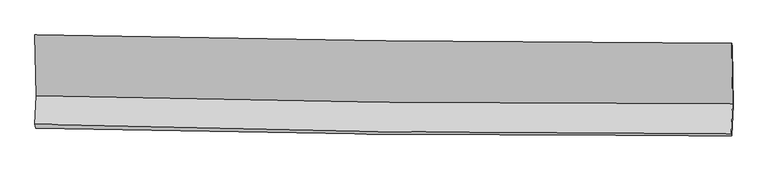
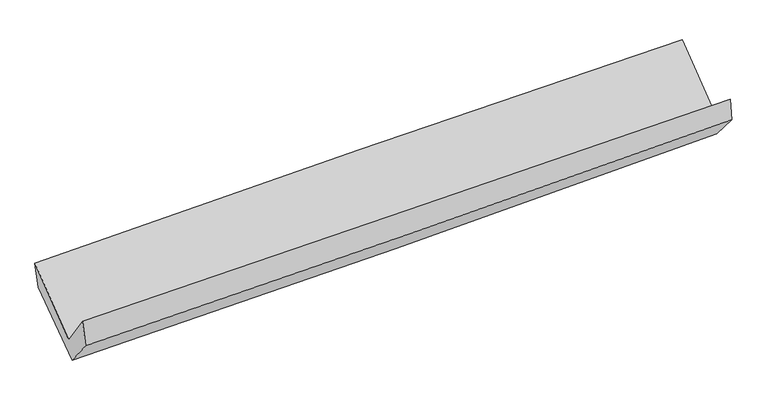
"""IFC4 building model written with IfcOpenShell, lengths in millimetres: proxy geometry."""

import ifcopenshell
import ifcopenshell.guid

model = None  # the IFC model being written
_history = None  # IfcOwnerHistory: only IFC2X3 demands one
_inside = {}  # id of a spatial element -> (the spatial element, [elements in it])
_under = {}  # id of a project, library or spatial element -> (it, [spatial elements below it])
_declared = {}  # id of a project -> (the project, [libraries it declares])
_typed = {}  # id of a type object -> (the type object, [elements of that type])
_made_of = {}  # id of a material, layer set ... -> (it, [elements and type objects made of it])


def new_model(schema):
    """Start an empty IFC model of exactly this schema.

    Asked for "IFC4X3", IfcOpenShell would pick the latest addendum, in which some entities
    have other attributes; the version numbers below select the first issue.
    IFC2X3 requires an IfcOwnerHistory on every rooted entity: one is made here for all.
    """
    global model, _history
    if schema == "IFC4X3":
        model = ifcopenshell.file(schema_version=(4, 3, 0, 0))
    else:
        model = ifcopenshell.file(schema=schema)
    _inside.clear()
    _under.clear()
    _declared.clear()
    _typed.clear()
    _made_of.clear()
    _history = None
    if model.schema == "IFC2X3":
        org = make("IfcOrganization", Name="unknown")
        user = make(
            "IfcPersonAndOrganization",
            ThePerson=make("IfcPerson", FamilyName="unknown"),
            TheOrganization=org,
        )
        app = make(
            "IfcApplication",
            ApplicationDeveloper=org,
            Version="unknown",
            ApplicationFullName="unknown",
            ApplicationIdentifier="unknown",
        )
        _history = make(
            "IfcOwnerHistory",
            OwningUser=user,
            OwningApplication=app,
            ChangeAction="ADDED",
            CreationDate=0,
        )
    return model


def make(cls, **values):
    """One entity of the class cls with the attributes given. An attribute that is None is left unset."""
    return model.create_entity(
        cls, **{name: value for name, value in values.items() if value is not None}
    )


def rooted(cls, **values):
    """An entity with a GlobalId (a new one), such as an element, a storey or a relation."""
    return make(cls, GlobalId=ifcopenshell.guid.new(), OwnerHistory=_history, **values)


def si_unit(unit_type, name, prefix=None):
    """IfcSIUnit, for example si_unit("LENGTHUNIT", "METRE", prefix="MILLI")."""
    return make("IfcSIUnit", UnitType=unit_type, Prefix=prefix, Name=name)


def assignment(units):
    """IfcUnitAssignment: the units of a project."""
    return None if units is None else make("IfcUnitAssignment", Units=units)


def point(xyz):
    """IfcCartesianPoint."""
    return None if xyz is None else make("IfcCartesianPoint", Coordinates=xyz)


def direction(xyz):
    """IfcDirection."""
    return None if xyz is None else make("IfcDirection", DirectionRatios=xyz)


def frame(location, z_axis=None, x_axis=None):
    """IfcAxis2Placement3D, a coordinate frame: its origin and axes. An axis left out is left unset."""
    return make(
        "IfcAxis2Placement3D",
        Location=point(location),
        Axis=direction(z_axis),
        RefDirection=direction(x_axis),
    )


def origin():
    """The frame at (0, 0, 0) with its axes left unset."""
    return frame((0.0, 0.0, 0.0))


def place(relative_to, where):
    """IfcLocalPlacement: puts the frame where relative to a parent placement (None: the world)."""
    return make(
        "IfcLocalPlacement", PlacementRelTo=relative_to, RelativePlacement=where
    )


def context(
    kind, dimensions, precision=None, world=None, true_north=None, identifier=None
):
    """IfcGeometricRepresentationContext, for example the 3D "Model" context."""
    return make(
        "IfcGeometricRepresentationContext",
        ContextIdentifier=identifier,
        ContextType=kind,
        CoordinateSpaceDimension=dimensions,
        Precision=precision,
        WorldCoordinateSystem=world,
        TrueNorth=true_north,
    )


def project(units=None, contexts=None):
    """IfcProject with its units and contexts."""
    return rooted(
        "IfcProject",
        Name="project",
        RepresentationContexts=contexts,
        UnitsInContext=assignment(units),
    )


def spatial(cls, under=None, at=None, **own):
    """A site, building, storey or space (cls), placed at a placement, below another one or the project."""
    s = rooted(cls, ObjectPlacement=at, **own)
    if under is not None:
        _under.setdefault(under.id(), (under, []))[1].append(s)
    return s


def shape(context_of_items, identifier, shape_type, items):
    """IfcShapeRepresentation: the items that make up one representation, for example the "Body"."""
    return make(
        "IfcShapeRepresentation",
        ContextOfItems=context_of_items,
        RepresentationIdentifier=identifier,
        RepresentationType=shape_type,
        Items=items,
    )


def source(mapping_origin, context_of_items, identifier, shape_type, items):
    """IfcRepresentationMap: a shape defined once, which mapped items show again and again."""
    return make(
        "IfcRepresentationMap",
        MappingOrigin=mapping_origin,
        MappedRepresentation=shape(context_of_items, identifier, shape_type, items),
    )


def transform(
    local_origin,
    x_axis=None,
    y_axis=None,
    z_axis=None,
    scale=None,
    scale2=None,
    scale3=None,
    uniform=True,
):
    """IfcCartesianTransformationOperator3D, or its non-uniform kind. x_axis, y_axis, z_axis: its Axis1, 2, 3."""
    if uniform:
        return make(
            "IfcCartesianTransformationOperator3D",
            Axis1=direction(x_axis),
            Axis2=direction(y_axis),
            LocalOrigin=point(local_origin),
            Scale=scale,
            Axis3=direction(z_axis),
        )
    return make(
        "IfcCartesianTransformationOperator3DnonUniform",
        Axis1=direction(x_axis),
        Axis2=direction(y_axis),
        LocalOrigin=point(local_origin),
        Scale=scale,
        Axis3=direction(z_axis),
        Scale2=scale2,
        Scale3=scale3,
    )


def mapped(mapping_source, mapping_target):
    """IfcMappedItem: shows the shape of a source again, moved by a transform."""
    return make(
        "IfcMappedItem", MappingSource=mapping_source, MappingTarget=mapping_target
    )


def made_of(thing, what):
    """Note that an element or type object is made of a material, layer set ...; save() writes the relation."""
    if what is not None:
        _made_of.setdefault(what.id(), (what, []))[1].append(thing)
    return thing


def element(
    cls,
    number,
    at=None,
    inside=None,
    cuts=None,
    type_object=None,
    material=None,
    context=None,
    identifier="Body",
    shape_type=None,
    held_by="IfcProductDefinitionShape",
    body=None,
    shapes=None,
    **own,
):
    """One element of the class cls, such as IfcWall. Its Tag is "e" and its number.

    at: its placement. inside: the storey or other place that contains it. cuts: it is an
    opening in that element (IfcRelVoidsElement). A single representation is given by context,
    identifier, shape_type and body (its items); several are given by shapes. held_by: the class
    of the entity that holds the representations. save() writes the other relations.
    """
    e = rooted(cls, Tag="e%d" % number, ObjectPlacement=at, **own)
    if body is not None:
        shapes = [shape(context, identifier, shape_type, body)]
    if shapes is not None:
        e.Representation = make(held_by, Representations=shapes)
    if inside is not None:
        _inside.setdefault(inside.id(), (inside, []))[1].append(e)
    if cuts is not None:
        rooted(
            "IfcRelVoidsElement", RelatingBuildingElement=cuts, RelatedOpeningElement=e
        )
    if type_object is not None:
        _typed.setdefault(type_object.id(), (type_object, []))[1].append(e)
    return made_of(e, material)


def aggregate(whole, parts):
    """IfcRelAggregates: a whole, such as a stair, and the parts it consists of."""
    return rooted("IfcRelAggregates", RelatingObject=whole, RelatedObjects=parts)


def save(model, path):
    """Write the relations noted so far, then the file.

    IfcRelAggregates (storeys below a building ...), IfcRelContainedInSpatialStructure (elements
    in a storey), IfcRelDefinesByType, IfcRelAssociatesMaterial and IfcRelDeclares: one each for
    every whole, place, type object, material and project.
    """
    for whole, parts in _under.values():
        aggregate(whole, parts)
    for where, things in _inside.values():
        rooted(
            "IfcRelContainedInSpatialStructure",
            RelatedElements=things,
            RelatingStructure=where,
        )
    for kind, things in _typed.values():
        rooted("IfcRelDefinesByType", RelatedObjects=things, RelatingType=kind)
    for what, things in _made_of.values():
        rooted("IfcRelAssociatesMaterial", RelatedObjects=things, RelatingMaterial=what)
    for by, libraries in _declared.values():
        rooted("IfcRelDeclares", RelatingContext=by, RelatedDefinitions=libraries)
    model.write(path)


def plane_surface(at):
    """IfcPlane: the flat surface through the origin of the frame at, square to its z axis."""
    return make("IfcPlane", Position=at)


def spline_curve(degree, points, multiplicities, knots, weights=None):
    """IfcBSplineCurveWithKnots; with weights, IfcRationalBSplineCurveWithKnots."""
    own = dict(
        Degree=degree,
        ControlPointsList=[point(p) for p in points],
        CurveForm="UNSPECIFIED",
        ClosedCurve=False,
        SelfIntersect=False,
        KnotMultiplicities=multiplicities,
        Knots=knots,
        KnotSpec="UNSPECIFIED",
    )
    if weights is None:
        return make("IfcBSplineCurveWithKnots", **own)
    return make("IfcRationalBSplineCurveWithKnots", WeightsData=weights, **own)


def spline_surface(u_degree, v_degree, points, u_multiplicities, v_multiplicities, u_knots, v_knots, weights=None):
    """IfcBSplineSurfaceWithKnots; with weights, IfcRationalBSplineSurfaceWithKnots. points: one row for each step in u."""
    own = dict(
        UDegree=u_degree,
        VDegree=v_degree,
        ControlPointsList=[[point(p) for p in row] for row in points],
        SurfaceForm="UNSPECIFIED",
        UClosed=False,
        VClosed=False,
        SelfIntersect=False,
        UMultiplicities=u_multiplicities,
        VMultiplicities=v_multiplicities,
        UKnots=u_knots,
        VKnots=v_knots,
        KnotSpec="UNSPECIFIED",
    )
    if weights is None:
        return make("IfcBSplineSurfaceWithKnots", **own)
    return make("IfcRationalBSplineSurfaceWithKnots", WeightsData=weights, **own)


def advanced_brep(points, edges, surfaces, faces):
    """IfcAdvancedBrep: a solid bounded by faces that lie on surfaces and meet in shared edges.

    An edge is (start, end): straight between two places in points (the first is 0);
    or (start, end, curve); or (start, end, curve, False) where it runs against its curve.
    A face is (place in surfaces, loops), or (place, loops, False) where it looks against
    its surface's normal. A loop lists edges by number (the first is 1), with a minus sign
    where the edge is run from its end to its start. The first loop is the outer one.
    """
    corners = [point(p) for p in points]
    vertices = [make("IfcVertexPoint", VertexGeometry=c) for c in corners]
    made = []
    for start, end, *more in edges:
        made.append(
            make(
                "IfcEdgeCurve",
                EdgeStart=vertices[start],
                EdgeEnd=vertices[end],
                EdgeGeometry=more[0] if more else make("IfcPolyline", Points=[corners[start], corners[end]]),
                SameSense=more[1] if len(more) > 1 else True,
            )
        )
    hull = []
    for where, loops, *sense in faces:
        bounds = []
        for j, loop in enumerate(loops):
            ring = [make("IfcOrientedEdge", EdgeElement=made[abs(k) - 1], Orientation=k > 0) for k in loop]
            bounds.append(
                make(
                    "IfcFaceOuterBound" if j == 0 else "IfcFaceBound",
                    Bound=make("IfcEdgeLoop", EdgeList=ring),
                    Orientation=True,
                )
            )
        hull.append(make("IfcAdvancedFace", Bounds=bounds, FaceSurface=surfaces[where], SameSense=sense[0] if sense else True))
    return make("IfcAdvancedBrep", Outer=make("IfcClosedShell", CfsFaces=hull))


def generic_models_5594bed8(model_context):
    return source(origin(), model_context, "Body", "AdvancedBrep", [
        advanced_brep(
        [(-2965.1312633, -1168.7967748, 2162.8922659), (-2954.0730202, -1684.4617691, 1731.2610248), (2948.481317, -1753.5766912, 1886.6730041), (2942.8285944, -1238.0039741, 2309.322967), (-2965.6706612, -1927.3758774, 2058.8658888), (2937.3169524, -2005.9116889, 2197.9992852), (-2958.9211537, -1962.0063245, 1840.1200431), (2942.1996834, -2025.16074, 2008.4493465), (-2948.8994719, -1734.7977376, 1559.7936673), (2953.1106205, -1766.1752772, 1709.2893157), (-2958.6791512, -1210.1112031, 1952.474492), (2947.7795737, -1267.7268198, 2112.9197871)],
        [
            (0, 1),
            (1, 2, spline_curve(3, [(-2954.0730202, -1684.4617691, 1731.2610248), (-1971.513699355, -1709.361235588, 1775.314216814), (-988.625433116, -1727.571059272, 1810.289682238), (978.891954099, -1750.62411163, 1862.11368362), (1963.52180035, -1755.452595037, 1878.942211503), (2948.481317, -1753.5766912, 1886.6730041)], [4, 2, 4], [0.0, 9.68617136827359, 19.383011567885667])),
            (2, 3),
            (3, 0, spline_curve(3, [(2942.8285944, -1238.0039741, 2309.322967), (1957.125909008, -1236.367669811, 2302.926912134), (971.673726773, -1229.776350623, 2287.514649589), (-997.645675122, -1206.696386892, 2238.68458694), (-1981.513445397, -1190.218639398, 2205.286615506), (-2965.1312633, -1168.7967748, 2162.8922659)], [4, 2, 4], [0.0, 9.696840199612078, 19.383011567885667])),
            (1, 4),
            (4, 5, spline_curve(3, [(-2965.6706612, -1927.3758774, 2058.8658888), (-1982.793140419, -1954.92714909, 2092.242607377), (-999.709620204, -1975.247815726, 2120.521841848), (967.952463631, -2001.44235672, 2166.910876086), (1952.53148129, -2007.300293866, 2185.009440284), (2937.3169524, -2005.9116889, 2197.9992852)], [4, 2, 4], [0.0, 9.681954687296038, 19.374573561468225])),
            (5, 2),
            (4, 6),
            (6, 7, spline_curve(3, [(-2958.9211537, -1962.0063245, 1840.1200431), (-1976.134232551, -1984.005617789, 1869.421889456), (-993.251430489, -2000.268394583, 1898.092881159), (973.788636944, -2021.332510365, 1954.204039443), (1957.946113982, -2026.12120532, 1981.642815645), (2942.1996834, -2025.16074, 2008.4493465)], [4, 2, 4], [0.0, 9.680747849892175, 19.372158557389703])),
            (7, 5),
            (6, 8),
            (8, 9, spline_curve(3, [(-2948.8994719, -1734.7977376, 1559.7936673), (-1965.811597688, -1750.24979056, 1580.547146833), (-982.704213142, -1760.591986931, 1603.373858102), (984.632441246, -1771.062429228, 1653.201171336), (1968.861754385, -1771.179412977, 1680.206342635), (2953.1106205, -1766.1752772, 1709.2893157)], [4, 2, 4], [0.0, 9.679711335512215, 19.370084386961246])),
            (9, 7),
            (8, 10),
            (10, 11, spline_curve(3, [(-2958.6791512, -1210.1112031, 1952.474492), (-1975.005451689, -1231.343978327, 1984.488717514), (-991.234681865, -1246.762226529, 2013.860367766), (977.584679083, -1265.980248288, 2067.347957167), (1962.633484178, -1269.767205384, 2091.458072256), (2947.7795737, -1267.7268198, 2112.9197871)], [4, 2, 4], [0.0, 9.683878236057655, 19.37842277768382])),
            (11, 9),
            (10, 0),
            (3, 11),
        ],
        [
            spline_surface(3, 3, [[(-2965.1312633, -1168.7967748, 2162.8922659), (-1981.513445299, -1190.218639443, 2205.286615634), (-997.645675002, -1206.696386851, 2238.684586904), (971.673726653, -1229.776350663, 2287.514649625), (1957.125908899, -1236.367669716, 2302.926912079), (2942.8285944, -1238.0039741, 2309.322967)], [(-2961.445182255, -1340.685106233, 2019.01518555), (-1978.180196646, -1363.266171446, 2061.962482762), (-994.638927746, -1380.32127773, 2095.886285334), (974.079802484, -1403.392270969, 2145.714327618), (1959.257872738, -1409.395978128, 2161.598678566), (2944.712835279, -1409.861546482, 2168.439646039)], [(-2957.759101245, -1512.573437667, 1875.13810515), (-1974.846948029, -1536.313703448, 1918.638349841), (-991.632180454, -1553.946168525, 1953.087983794), (976.48587835, -1577.008191192, 2003.914005641), (1961.389836541, -1582.424286496, 2020.270445038), (2946.597076121, -1581.719118818, 2027.556325061)], [(-2954.0730202, -1684.4617691, 1731.2610248), (-1971.513699376, -1709.361235451, 1775.314216968), (-988.625433198, -1727.571059404, 1810.289682224), (978.891954181, -1750.624111498, 1862.113683634), (1963.52180038, -1755.452594909, 1878.942211525), (2948.481317, -1753.5766912, 1886.6730041)]], [4, 4], [4, 2, 4], [0.0, 2.209646853543674], [0.0, 9.68617136827359, 19.383011567885667]),
            spline_surface(3, 3, [[(-2954.0730202, -1684.4617691, 1731.2610248), (-1971.513699376, -1709.361235451, 1775.314216968), (-988.625433198, -1727.571059404, 1810.289682224), (978.891954181, -1750.624111498, 1862.113683634), (1963.52180038, -1755.452594909, 1878.942211525), (2948.481317, -1753.5766912, 1886.6730041)], [(-2957.938900525, -1765.433138538, 1840.462646105), (-1975.273513085, -1791.216540025, 1880.957013748), (-992.320162202, -1810.129978185, 1913.700402104), (975.245457316, -1834.230193217, 1963.71274779), (1959.85836062, -1839.401827911, 1980.964621158), (2944.759862106, -1837.688357108, 1990.448431137)], [(-2961.804780875, -1846.404507962, 1949.664267495), (-1979.03332682, -1873.071844586, 1986.599810612), (-996.014891181, -1892.688896988, 2017.111121968), (971.598960476, -1917.836274957, 2065.31181193), (1956.194920942, -1923.351060888, 2082.987030781), (2941.038407294, -1921.800022992, 2094.223858163)], [(-2965.6706612, -1927.3758774, 2058.8658888), (-1982.793140529, -1954.92714916, 2092.242607392), (-999.709620185, -1975.247815769, 2120.521841848), (967.952463612, -2001.442356676, 2166.910876086), (1952.531481182, -2007.30029389, 2185.009440414), (2937.3169524, -2005.9116889, 2197.9992852)]], [4, 4], [4, 2, 4], [0.0, 1.299187227796141], [0.0, 9.681954687296038, 19.374573561468225]),
            spline_surface(3, 3, [[(-2965.6706612, -1927.3758774, 2058.8658888), (-1982.793140529, -1954.92714916, 2092.242607392), (-999.709620185, -1975.247815769, 2120.521841848), (967.952463612, -2001.442356676, 2166.910876086), (1952.531481182, -2007.30029389, 2185.009440414), (2937.3169524, -2005.9116889, 2197.9992852)], [(-2963.420825369, -1938.919359764, 1985.950606928), (-1980.573504573, -1964.619971987, 2017.969034809), (-997.55689031, -1983.588008722, 2046.378854973), (969.897854787, -2008.07240791, 2096.008597224), (1954.336358836, -2013.573930991, 2117.220565508), (2938.944529421, -2012.328039246, 2134.815972322)], [(-2961.170989531, -1950.462842136, 1913.035324972), (-1978.353868611, -1974.312794821, 1943.695462142), (-995.404160497, -1991.928201646, 1972.235868037), (971.843245902, -2014.702459114, 2025.106318302), (1956.141236426, -2019.847568155, 2049.431690537), (2940.572106379, -2018.744389654, 2071.632659378)], [(-2958.9211537, -1962.0063245, 1840.1200431), (-1976.134232655, -1984.005617648, 1869.421889559), (-993.251430622, -2000.268394599, 1898.092881162), (973.788637078, -2021.332510348, 1954.20403944), (1957.94611408, -2026.121205257, 1981.642815631), (2942.1996834, -2025.16074, 2008.4493465)]], [4, 4], [4, 2, 4], [0.0, 0.717862168191754], [0.0, 9.680747849892175, 19.372158557389703]),
            spline_surface(3, 3, [[(-2958.9211537, -1962.0063245, 1840.1200431), (-1976.134232655, -1984.005617648, 1869.421889559), (-993.251430622, -2000.268394599, 1898.092881162), (973.788637078, -2021.332510348, 1954.20403944), (1957.94611408, -2026.121205257, 1981.642815631), (2942.1996834, -2025.16074, 2008.4493465)], [(-2955.580593116, -1886.270128856, 1746.677917816), (-1972.693354345, -1906.087008578, 1773.130308586), (-989.735691489, -1920.376258634, 1799.853206817), (977.403238471, -1937.909149989, 1853.869750058), (1961.584660798, -1941.140607809, 1881.163991289), (2945.836662433, -1938.832252404, 1908.729336218)], [(-2952.240032484, -1810.533933244, 1653.235792584), (-1969.252475989, -1828.168399541, 1676.838727665), (-986.219952321, -1840.484122761, 1701.613532481), (981.017839898, -1854.485789723, 1753.535460685), (1965.223207519, -1856.16001035, 1780.685166993), (2949.473641467, -1852.503764796, 1809.009325982)], [(-2948.8994719, -1734.7977376, 1559.7936673), (-1965.811597679, -1750.249790471, 1580.547146693), (-982.704213187, -1760.591986796, 1603.373858135), (984.632441291, -1771.062429364, 1653.201171302), (1968.861754237, -1771.179412903, 1680.206342651), (2953.1106205, -1766.1752772, 1709.2893157)]], [4, 4], [4, 2, 4], [0.0, 1.2657935546708547], [0.0, 9.679711335512215, 19.370084386961246]),
            spline_surface(3, 3, [[(-2948.8994719, -1734.7977376, 1559.7936673), (-1965.811597679, -1750.249790471, 1580.547146693), (-982.704213187, -1760.591986796, 1603.373858135), (984.632441291, -1771.062429364, 1653.201171302), (1968.861754237, -1771.179412903, 1680.206342651), (2953.1106205, -1766.1752772, 1709.2893157)], [(-2952.159364982, -1559.902226112, 1690.687275548), (-1968.876215661, -1577.281186415, 1715.194337026), (-985.547702753, -1589.315400124, 1740.202694653), (982.283187232, -1602.701702317, 1791.25009995), (1966.785664252, -1604.042010372, 1817.290252522), (2951.333604889, -1600.025791414, 1843.832806168)], [(-2955.419258118, -1385.006714588, 1821.580883752), (-1971.940833698, -1404.312582323, 1849.841527315), (-988.391192325, -1418.038813359, 1877.03153117), (979.933933167, -1434.340975177, 1929.299028598), (1964.7095743, -1436.904607801, 1954.374162388), (2949.556589311, -1433.876305586, 1978.376296632)], [(-2958.6791512, -1210.1112031, 1952.474492), (-1975.00545168, -1231.343978268, 1984.488717649), (-991.23468189, -1246.762226687, 2013.860367687), (977.584679108, -1265.98024813, 2067.347957246), (1962.633484315, -1269.76720527, 2091.458072259), (2947.7795737, -1267.7268198, 2112.9197871)]], [4, 4], [4, 2, 4], [0.0, 2.150409269464707], [0.0, 9.683878236057655, 19.37842277768382]),
            spline_surface(3, 3, [[(-2958.6791512, -1210.1112031, 1952.474492), (-1975.00545168, -1231.343978268, 1984.488717649), (-991.23468189, -1246.762226687, 2013.860367687), (977.584679108, -1265.98024813, 2067.347957246), (1962.633484315, -1269.76720527, 2091.458072259), (2947.7795737, -1267.7268198, 2112.9197871)], [(-2960.829855254, -1196.339726997, 2022.613749952), (-1977.174782908, -1217.635531989, 2058.088016963), (-993.371679585, -1233.406946711, 2088.80177408), (975.614361632, -1253.912282277, 2140.736854692), (1960.797625849, -1258.634026732, 2161.947685516), (2946.129247273, -1257.819204547, 2178.387513716)], [(-2962.980559246, -1182.568250903, 2092.753007948), (-1979.344114072, -1203.927085722, 2131.68731632), (-995.508677307, -1220.051666827, 2163.743180512), (973.644044129, -1241.844316516, 2214.125752178), (1958.961767365, -1247.500848254, 2232.437298823), (2944.478920827, -1247.911589353, 2243.855240384)], [(-2965.1312633, -1168.7967748, 2162.8922659), (-1981.513445299, -1190.218639443, 2205.286615634), (-997.645675002, -1206.696386851, 2238.684586904), (971.673726653, -1229.776350663, 2287.514649625), (1957.125908899, -1236.367669716, 2302.926912079), (2942.8285944, -1238.0039741, 2309.322967)]], [4, 4], [4, 2, 4], [0.0, 0.7408826960827535], [0.0, 9.6891079757963, 19.388888017456804]),
            plane_surface(frame((2945.2861236, -1676.0925319, 2037.4422843), z_axis=(0.9995775591024874, -0.011070217803857085, 0.026872916039924866), x_axis=(-0.0083115499850383, 0.7771230298549064, 0.6292938221578029))),
            plane_surface(frame((-2958.5624536, -1614.5916144, 1884.2345637), z_axis=(-0.9994866054297733, 0.005049460309752298, -0.03163903470476092), x_axis=(0.030075233940693977, -0.19257896719326426, -0.9808204839307693))),
        ],
        [
            (0, [[1, 2, 3, 4]]),
            (1, [[5, 6, 7, -2]]),
            (2, [[8, 9, 10, -6]]),
            (3, [[11, 12, 13, -9]]),
            (4, [[14, 15, 16, -12]]),
            (5, [[17, -4, 18, -15]]),
            (6, [[-16, -18, -3, -7, -10, -13]]),
            (7, [[-17, -14, -11, -8, -5, -1]]),
        ],
    ),
    ])


if __name__ == "__main__":
    model = new_model("IFC4")
    model_context = context("Model", 3, world=origin())
    ifc_project = project(units=[si_unit("LENGTHUNIT", "METRE", prefix="MILLI")], contexts=[model_context])
    site = spatial("IfcSite", under=ifc_project)
    building = spatial("IfcBuilding", under=site)
    placement = place(None, origin())
    generic_models_shape = generic_models_5594bed8(model_context)
    element("IfcBuildingElementProxy", 1, Name="Generic Models", at=placement, inside=building, context=model_context, shape_type="MappedRepresentation", body=[
        mapped(generic_models_shape, transform((0.0, 0.0, 0.0), x_axis=(1.0, 0.0, 0.0), y_axis=(0.0, 1.0, 0.0), z_axis=(0.0, 0.0, 1.0))),
    ])
    save(model, "model.ifc")
